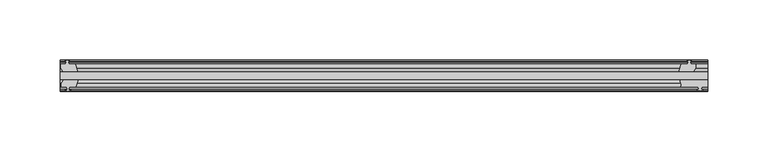
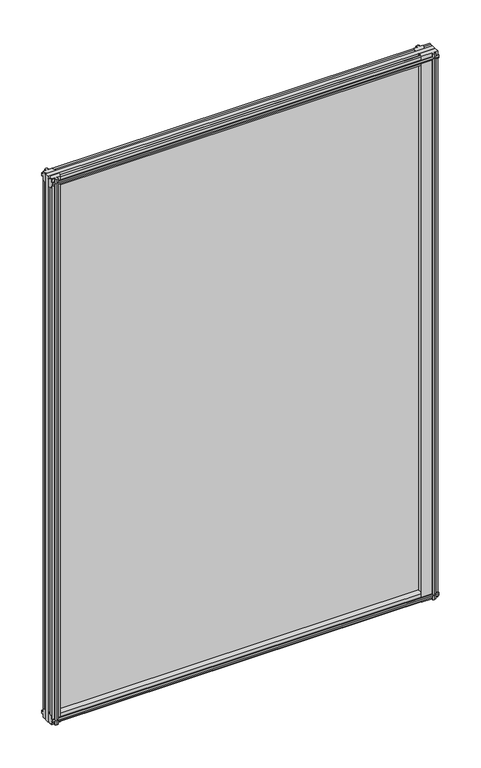
"""IFC4 building model written with IfcOpenShell, lengths in millimetres: plate geometry."""

from ifc_helpers import new_model, si_unit, point, frame, frame_2d, origin, place, context, project, spatial, polyline, circle_curve, trimmed, segment, composite_curve, outline, extrude, source, transform, mapped, element, save


def plate_171331bc(model_context):
    return source(origin(), model_context, "Body", "SweptSolid", [
        extrude(outline(polyline([(-263.525, -19.5460937), (273.05, -19.5460937), (273.05, -25.8960937), (-263.525, -25.8960937), (-263.525, -19.5460937)])), frame((0.0, 0.0, -12.7), z_axis=(0.0, 0.0, 1.0), x_axis=(1.0, 0.0, 0.0)), (0.0, 0.0, 1.0), 800.1),
        extrude(outline(composite_curve([segment(polyline([(273.0542854, -32.2460938), (267.9742854, -32.2460938), (267.6567854, -34.3506957), (268.8753913, -34.0241712), (269.0791854, -34.7847412), (266.7042854, -35.4210938), (264.3293854, -34.7847412), (264.5331795, -34.0241712), (265.7517854, -34.3506957), (265.4342854, -32.2460938), (250.825, -32.2460938)]), True, "CONTINUOUS"), segment(trimmed(circle_curve(frame_2d((241.943449, -30.5054843)), 9.0505066), [point((250.825, -32.2460938))], [point((249.7322351, -25.8960937))], True, "CARTESIAN"), True, "CONTINUOUS"), segment(polyline([(249.7322351, -25.8960937), (273.0542854, -25.8960937), (273.0542854, -32.2460938)]), True, "CONTINUOUS")], self_intersect=False)), frame((0.0, 0.0, -12.7), z_axis=(0.0, 0.0, 1.0), x_axis=(1.0, 0.0, 0.0)), (0.0, 0.0, 1.0), 800.1),
        extrude(outline(polyline([(255.5181709, -10.4746158), (257.6957, -9.7670938), (259.873229, -10.4746158), (259.873229, -11.27583), (258.4577, -10.8158968), (258.8387, -13.1960938), (263.2837, -13.1960938), (263.2837, -16.1424938), (261.0710038, -19.5460937), (249.2404229, -19.5460937), (251.3457, -13.1960938), (256.5527, -13.1960938), (256.9337, -10.8158968), (255.5181709, -11.27583), (255.5181709, -10.4746158)])), frame((0.0, 0.0, -12.7), z_axis=(0.0, 0.0, 1.0), x_axis=(1.0, 0.0, 0.0)), (0.0, 0.0, 1.0), 800.1),
        extrude(outline(polyline([(-248.7197229, -25.8960937), (-250.825, -32.2460937), (-256.032, -32.2460937), (-256.413, -34.6262907), (-254.9974709, -34.1663575), (-254.9974709, -34.9675717), (-257.175, -35.6750937), (-259.352529, -34.9675717), (-259.352529, -34.1663575), (-257.937, -34.6262907), (-258.318, -32.2460937), (-262.763, -32.2460937), (-262.763, -29.2996937), (-260.5503038, -25.8960937), (-248.7197229, -25.8960937)])), frame((0.0, 0.0, -12.7), z_axis=(0.0, 0.0, 1.0), x_axis=(1.0, 0.0, 0.0)), (0.0, 0.0, 1.0), 800.1),
        extrude(outline(polyline([(-258.4577, -10.8158968), (-259.873229, -11.27583), (-259.873229, -10.4746158), (-257.6957, -9.7670937), (-255.5181709, -10.4746158), (-255.5181709, -11.27583), (-256.9337, -10.8158968), (-256.5527, -13.1960937), (-251.3457, -13.1960937), (-249.2404229, -19.5460937), (-261.0710038, -19.5460937), (-263.2837, -16.1424937), (-263.2837, -13.1960937), (-258.8387, -13.1960937), (-258.4577, -10.8158968)])), frame((0.0, 0.0, -12.7), z_axis=(0.0, 0.0, 1.0), x_axis=(1.0, 0.0, 0.0)), (0.0, 0.0, 1.0), 800.1),
        extrude(outline(polyline([(-13.1960937, 787.1587), (-13.1960937, 782.7137), (-10.8158968, 782.3327), (-11.27583, 783.7482291), (-10.4746158, 783.7482291), (-9.7670937, 781.5707), (-10.4746158, 779.393171), (-11.27583, 779.393171), (-10.8158968, 780.8087), (-13.1960937, 780.4277), (-13.1960937, 775.2207), (-19.5460937, 773.115423), (-19.5460937, 784.9460038), (-16.1424937, 787.1587), (-13.1960937, 787.1587)])), frame((-263.525, 0.0, 0.0), z_axis=(1.0, 0.0, 0.0), x_axis=(0.0, 1.0, 0.0)), (0.0, 0.0, 1.0), 536.575),
        extrude(outline(polyline([(-29.2996937, 786.638), (-25.8960937, 784.4253038), (-25.8960937, 772.594723), (-32.2460937, 774.7), (-32.2460937, 779.907), (-34.6262907, 780.288), (-34.1663575, 778.872471), (-34.9675717, 778.872471), (-35.6750937, 781.05), (-34.9675717, 783.2275291), (-34.1663575, 783.2275291), (-34.6262907, 781.812), (-32.2460937, 782.193), (-32.2460937, 786.638), (-29.2996937, 786.638)])), frame((-263.525, 0.0, 0.0), z_axis=(1.0, 0.0, 0.0), x_axis=(0.0, 1.0, 0.0)), (0.0, 0.0, 1.0), 536.575),
        extrude(outline(polyline([(-25.8960937, 2.1052771), (-25.8960937, -9.7253038), (-29.2996937, -11.938), (-32.2460937, -11.938), (-32.2460937, -7.493), (-34.6262907, -7.112), (-34.1663575, -8.5275291), (-34.9675717, -8.5275291), (-35.6750937, -6.35), (-34.9675717, -4.1724709), (-34.1663575, -4.1724709), (-34.6262907, -5.588), (-32.2460937, -5.207), (-32.2460937, 0.0), (-25.8960937, 2.1052771)])), frame((-263.525, 0.0, 0.0), z_axis=(1.0, 0.0, 0.0), x_axis=(0.0, 1.0, 0.0)), (0.0, 0.0, 1.0), 536.575),
        extrude(outline(polyline([(-19.5460937, 1.5845771), (-13.1960937, -0.5207), (-13.1960937, -5.7277), (-10.8158968, -6.1087), (-11.27583, -4.6931709), (-10.4746158, -4.6931709), (-9.7670937, -6.8707), (-10.4746158, -9.048229), (-11.27583, -9.048229), (-10.8158968, -7.6327), (-13.1960937, -8.0137), (-13.1960937, -12.4587), (-16.1424937, -12.4587), (-19.5460937, -10.2460038), (-19.5460937, 1.5845771)])), frame((-263.525, 0.0, 0.0), z_axis=(1.0, 0.0, 0.0), x_axis=(0.0, 1.0, 0.0)), (0.0, 0.0, 1.0), 536.575),
    ])


if __name__ == "__main__":
    model = new_model("IFC4")
    model_context = context("Model", 3, world=origin())
    ifc_project = project(units=[si_unit("LENGTHUNIT", "METRE", prefix="MILLI")], contexts=[model_context])
    site = spatial("IfcSite", under=ifc_project)
    building = spatial("IfcBuilding", under=site)
    placement = place(None, origin())
    plate_shape = plate_171331bc(model_context)
    element("IfcPlate", 1, at=placement, inside=building, context=model_context, shape_type="MappedRepresentation", body=[
        mapped(plate_shape, transform((0.0, 0.0, 0.0), x_axis=(1.0, 0.0, 0.0), y_axis=(0.0, 1.0, 0.0), z_axis=(0.0, 0.0, 1.0))),
    ])
    save(model, "model.ifc")
